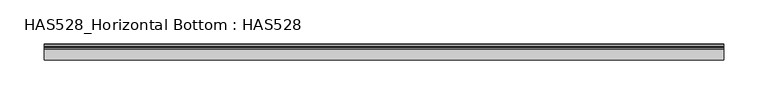
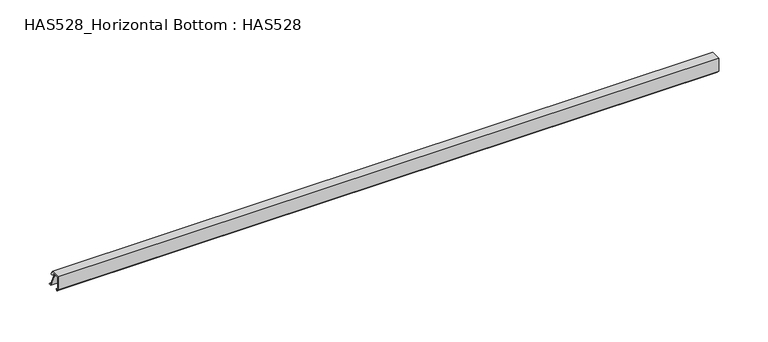
"""IFC4 building model written with IfcOpenShell, lengths in millimetres: beam geometry, HAS528_Horizontal Bottom : HAS528."""

from ifc_helpers import new_model, si_unit, point, frame, frame_2d, origin, place, context, project, spatial, polyline, circle_curve, trimmed, segment, composite_curve, outline, extrude, source, transform, mapped, element, save


def has528_horizontal_bottom_has528_c88e2e52(model_context):
    return source(origin(), model_context, "Body", "SweptSolid", [
        extrude(outline(composite_curve([segment(polyline([(15.4225352, 1.056338), (17.1126761, 1.056338), (18.1690141, 0.0), (14.9813587, 0.0), (8.2394366, 14.7887324), (8.2394366, 16.056338), (9.5070423, 16.6901408), (10.3521127, 16.6901408), (10.3521127, 18.1690141), (1.056338, 18.1690141), (1.056338, 5.4929577), (4.4630282, 2.0862676), (3.5915493, 0.6338028)]), True, "CONTINUOUS"), segment(trimmed(circle_curve(frame_2d((3.1852654, 0.8775731)), 0.4738043), [point((3.5915493, 0.6338028))], [point((2.7464789, 1.056338))], False, "CARTESIAN"), True, "CONTINUOUS"), segment(polyline([(2.7464789, 1.056338), (3.1690141, 1.9014085), (1.6901408, 3.3802817), (0.0, 3.1690141), (0.0, 19.2253521), (11.8309859, 19.2253521), (11.8309859, 16.6901408), (13.3098592, 16.6901408), (13.9290441, 14.6261909)]), True, "CONTINUOUS"), segment(trimmed(circle_curve(frame_2d((13.5345394, 14.5078395)), 0.411875), [point((13.9290441, 14.6261909))], [point((13.3777181, 14.1269877))], False, "CARTESIAN"), True, "CONTINUOUS"), segment(polyline([(13.3777181, 14.1269877), (9.8048781, 15.5981571)]), True, "CONTINUOUS"), segment(trimmed(circle_curve(frame_2d((9.6484855, 15.2183467)), 0.4107488), [point((9.8048781, 15.5981571))], [point((9.272437, 15.0531132))], True, "CARTESIAN"), True, "CONTINUOUS"), segment(polyline([(9.272437, 15.0531132), (15.4225352, 1.056338)]), True, "CONTINUOUS")], self_intersect=False)), frame((-386.0, 0.0, 0.0), z_axis=(1.0, 0.0, 0.0), x_axis=(0.0, 1.0, 0.0)), (0.0, 0.0, 1.0), 772.0),
    ])


if __name__ == "__main__":
    model = new_model("IFC4")
    model_context = context("Model", 3, world=origin())
    ifc_project = project(units=[si_unit("LENGTHUNIT", "METRE", prefix="MILLI")], contexts=[model_context])
    site = spatial("IfcSite", under=ifc_project)
    building = spatial("IfcBuilding", under=site)
    placement = place(None, origin())
    has528_horizontal_bottom_has528_shape = has528_horizontal_bottom_has528_c88e2e52(model_context)
    element("IfcBeam", 1, ObjectType="HAS528_Horizontal Bottom : HAS528", at=placement, inside=building, context=model_context, shape_type="MappedRepresentation", body=[
        mapped(has528_horizontal_bottom_has528_shape, transform((0.0, 0.0, 0.0), x_axis=(1.0, 0.0, 0.0), y_axis=(0.0, 1.0, 0.0), z_axis=(0.0, 0.0, 1.0))),
    ])
    save(model, "model.ifc")
